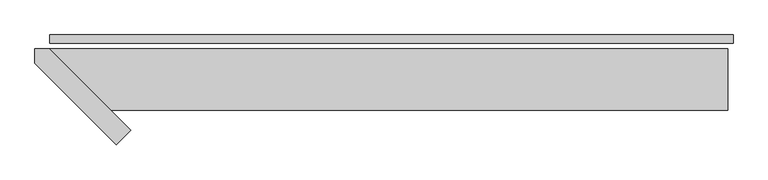
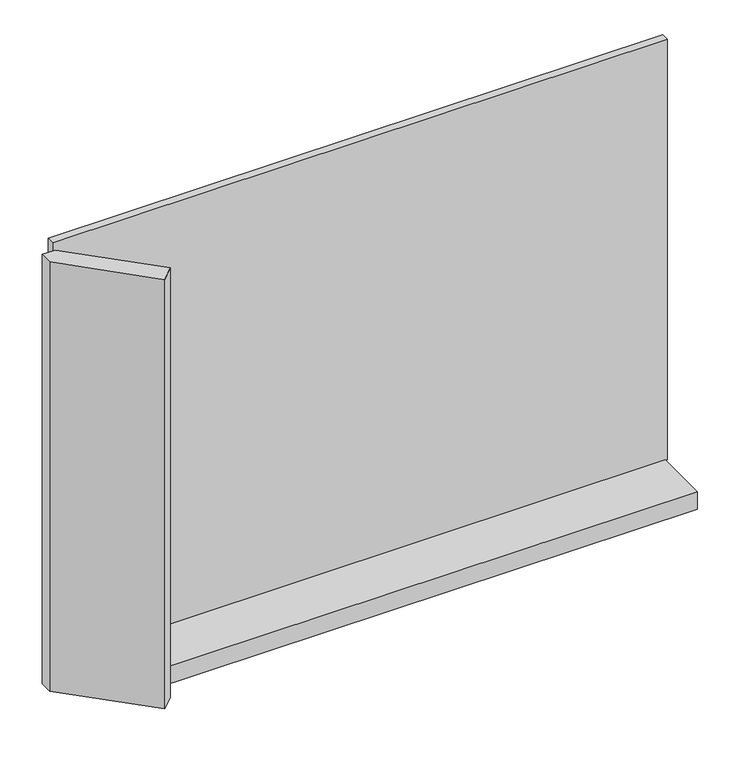
"""IFC4 building model written with IfcOpenShell, lengths in millimetres: plate geometry."""

import ifcopenshell
import ifcopenshell.guid

model = None  # the IFC model being written
_history = None  # IfcOwnerHistory: only IFC2X3 demands one
_inside = {}  # id of a spatial element -> (the spatial element, [elements in it])
_under = {}  # id of a project, library or spatial element -> (it, [spatial elements below it])
_declared = {}  # id of a project -> (the project, [libraries it declares])
_typed = {}  # id of a type object -> (the type object, [elements of that type])
_made_of = {}  # id of a material, layer set ... -> (it, [elements and type objects made of it])


def new_model(schema):
    """Start an empty IFC model of exactly this schema.

    Asked for "IFC4X3", IfcOpenShell would pick the latest addendum, in which some entities
    have other attributes; the version numbers below select the first issue.
    IFC2X3 requires an IfcOwnerHistory on every rooted entity: one is made here for all.
    """
    global model, _history
    if schema == "IFC4X3":
        model = ifcopenshell.file(schema_version=(4, 3, 0, 0))
    else:
        model = ifcopenshell.file(schema=schema)
    _inside.clear()
    _under.clear()
    _declared.clear()
    _typed.clear()
    _made_of.clear()
    _history = None
    if model.schema == "IFC2X3":
        org = make("IfcOrganization", Name="unknown")
        user = make(
            "IfcPersonAndOrganization",
            ThePerson=make("IfcPerson", FamilyName="unknown"),
            TheOrganization=org,
        )
        app = make(
            "IfcApplication",
            ApplicationDeveloper=org,
            Version="unknown",
            ApplicationFullName="unknown",
            ApplicationIdentifier="unknown",
        )
        _history = make(
            "IfcOwnerHistory",
            OwningUser=user,
            OwningApplication=app,
            ChangeAction="ADDED",
            CreationDate=0,
        )
    return model


def make(cls, **values):
    """One entity of the class cls with the attributes given. An attribute that is None is left unset."""
    return model.create_entity(
        cls, **{name: value for name, value in values.items() if value is not None}
    )


def rooted(cls, **values):
    """An entity with a GlobalId (a new one), such as an element, a storey or a relation."""
    return make(cls, GlobalId=ifcopenshell.guid.new(), OwnerHistory=_history, **values)


def si_unit(unit_type, name, prefix=None):
    """IfcSIUnit, for example si_unit("LENGTHUNIT", "METRE", prefix="MILLI")."""
    return make("IfcSIUnit", UnitType=unit_type, Prefix=prefix, Name=name)


def assignment(units):
    """IfcUnitAssignment: the units of a project."""
    return None if units is None else make("IfcUnitAssignment", Units=units)


def point(xyz):
    """IfcCartesianPoint."""
    return None if xyz is None else make("IfcCartesianPoint", Coordinates=xyz)


def direction(xyz):
    """IfcDirection."""
    return None if xyz is None else make("IfcDirection", DirectionRatios=xyz)


def frame(location, z_axis=None, x_axis=None):
    """IfcAxis2Placement3D, a coordinate frame: its origin and axes. An axis left out is left unset."""
    return make(
        "IfcAxis2Placement3D",
        Location=point(location),
        Axis=direction(z_axis),
        RefDirection=direction(x_axis),
    )


def origin():
    """The frame at (0, 0, 0) with its axes left unset."""
    return frame((0.0, 0.0, 0.0))


def origin_with_axes():
    """The frame at (0, 0, 0) with the z axis (0, 0, 1) and the x axis (1, 0, 0) written out."""
    return frame((0.0, 0.0, 0.0), z_axis=(0.0, 0.0, 1.0), x_axis=(1.0, 0.0, 0.0))


def place(relative_to, where):
    """IfcLocalPlacement: puts the frame where relative to a parent placement (None: the world)."""
    return make(
        "IfcLocalPlacement", PlacementRelTo=relative_to, RelativePlacement=where
    )


def context(
    kind, dimensions, precision=None, world=None, true_north=None, identifier=None
):
    """IfcGeometricRepresentationContext, for example the 3D "Model" context."""
    return make(
        "IfcGeometricRepresentationContext",
        ContextIdentifier=identifier,
        ContextType=kind,
        CoordinateSpaceDimension=dimensions,
        Precision=precision,
        WorldCoordinateSystem=world,
        TrueNorth=true_north,
    )


def project(units=None, contexts=None):
    """IfcProject with its units and contexts."""
    return rooted(
        "IfcProject",
        Name="project",
        RepresentationContexts=contexts,
        UnitsInContext=assignment(units),
    )


def spatial(cls, under=None, at=None, **own):
    """A site, building, storey or space (cls), placed at a placement, below another one or the project."""
    s = rooted(cls, ObjectPlacement=at, **own)
    if under is not None:
        _under.setdefault(under.id(), (under, []))[1].append(s)
    return s


def polyline(points):
    """IfcPolyline through the points."""
    return make("IfcPolyline", Points=[point(p) for p in points])


def outline(outer, holes=None, kind="AREA"):
    """IfcArbitraryClosedProfileDef: a profile drawn as a closed curve; with holes, ...WithVoids."""
    if holes is None:
        return make("IfcArbitraryClosedProfileDef", ProfileType=kind, OuterCurve=outer)
    return make(
        "IfcArbitraryProfileDefWithVoids",
        ProfileType=kind,
        OuterCurve=outer,
        InnerCurves=holes,
    )


def extrude(swept, where, along, depth):
    """IfcExtrudedAreaSolid: the profile swept, set in the frame where, extruded along a direction by depth."""
    return make(
        "IfcExtrudedAreaSolid",
        SweptArea=swept,
        Position=where,
        ExtrudedDirection=direction(along),
        Depth=depth,
    )


def shape(context_of_items, identifier, shape_type, items):
    """IfcShapeRepresentation: the items that make up one representation, for example the "Body"."""
    return make(
        "IfcShapeRepresentation",
        ContextOfItems=context_of_items,
        RepresentationIdentifier=identifier,
        RepresentationType=shape_type,
        Items=items,
    )


def source(mapping_origin, context_of_items, identifier, shape_type, items):
    """IfcRepresentationMap: a shape defined once, which mapped items show again and again."""
    return make(
        "IfcRepresentationMap",
        MappingOrigin=mapping_origin,
        MappedRepresentation=shape(context_of_items, identifier, shape_type, items),
    )


def transform(
    local_origin,
    x_axis=None,
    y_axis=None,
    z_axis=None,
    scale=None,
    scale2=None,
    scale3=None,
    uniform=True,
):
    """IfcCartesianTransformationOperator3D, or its non-uniform kind. x_axis, y_axis, z_axis: its Axis1, 2, 3."""
    if uniform:
        return make(
            "IfcCartesianTransformationOperator3D",
            Axis1=direction(x_axis),
            Axis2=direction(y_axis),
            LocalOrigin=point(local_origin),
            Scale=scale,
            Axis3=direction(z_axis),
        )
    return make(
        "IfcCartesianTransformationOperator3DnonUniform",
        Axis1=direction(x_axis),
        Axis2=direction(y_axis),
        LocalOrigin=point(local_origin),
        Scale=scale,
        Axis3=direction(z_axis),
        Scale2=scale2,
        Scale3=scale3,
    )


def mapped(mapping_source, mapping_target):
    """IfcMappedItem: shows the shape of a source again, moved by a transform."""
    return make(
        "IfcMappedItem", MappingSource=mapping_source, MappingTarget=mapping_target
    )


def made_of(thing, what):
    """Note that an element or type object is made of a material, layer set ...; save() writes the relation."""
    if what is not None:
        _made_of.setdefault(what.id(), (what, []))[1].append(thing)
    return thing


def element(
    cls,
    number,
    at=None,
    inside=None,
    cuts=None,
    type_object=None,
    material=None,
    context=None,
    identifier="Body",
    shape_type=None,
    held_by="IfcProductDefinitionShape",
    body=None,
    shapes=None,
    **own,
):
    """One element of the class cls, such as IfcWall. Its Tag is "e" and its number.

    at: its placement. inside: the storey or other place that contains it. cuts: it is an
    opening in that element (IfcRelVoidsElement). A single representation is given by context,
    identifier, shape_type and body (its items); several are given by shapes. held_by: the class
    of the entity that holds the representations. save() writes the other relations.
    """
    e = rooted(cls, Tag="e%d" % number, ObjectPlacement=at, **own)
    if body is not None:
        shapes = [shape(context, identifier, shape_type, body)]
    if shapes is not None:
        e.Representation = make(held_by, Representations=shapes)
    if inside is not None:
        _inside.setdefault(inside.id(), (inside, []))[1].append(e)
    if cuts is not None:
        rooted(
            "IfcRelVoidsElement", RelatingBuildingElement=cuts, RelatedOpeningElement=e
        )
    if type_object is not None:
        _typed.setdefault(type_object.id(), (type_object, []))[1].append(e)
    return made_of(e, material)


def aggregate(whole, parts):
    """IfcRelAggregates: a whole, such as a stair, and the parts it consists of."""
    return rooted("IfcRelAggregates", RelatingObject=whole, RelatedObjects=parts)


def save(model, path):
    """Write the relations noted so far, then the file.

    IfcRelAggregates (storeys below a building ...), IfcRelContainedInSpatialStructure (elements
    in a storey), IfcRelDefinesByType, IfcRelAssociatesMaterial and IfcRelDeclares: one each for
    every whole, place, type object, material and project.
    """
    for whole, parts in _under.values():
        aggregate(whole, parts)
    for where, things in _inside.values():
        rooted(
            "IfcRelContainedInSpatialStructure",
            RelatedElements=things,
            RelatingStructure=where,
        )
    for kind, things in _typed.values():
        rooted("IfcRelDefinesByType", RelatedObjects=things, RelatingType=kind)
    for what, things in _made_of.values():
        rooted("IfcRelAssociatesMaterial", RelatedObjects=things, RelatingMaterial=what)
    for by, libraries in _declared.values():
        rooted("IfcRelDeclares", RelatingContext=by, RelatedDefinitions=libraries)
    model.write(path)


def plate_07f8869f(model_context):
    return source(origin(), model_context, "Body", "SweptSolid", [
        extrude(outline(polyline([(1000.5, 0.0), (1000.5, -25.0), (-1000.5, -25.0), (-1000.5, 0.0), (1000.5, 0.0)])), origin_with_axes(), (0.0, 0.0, 1.0), 1447.534293),
        extrude(outline(polyline([(-763.5, -278.5735931), (-805.9264069, -321.0), (-1043.5, -83.4264069), (-1043.5, -41.0), (-1001.0735931, -41.0), (-763.5, -278.5735931)])), frame((0.0, 0.0, -45.0), z_axis=(0.0, 0.0, 1.0), x_axis=(1.0, 0.0, 0.0)), (0.0, 0.0, 1.0), 1477.534293),
        extrude(outline(polyline([(985.5, -221.0), (-821.0735931, -221.0), (-1001.0735931, -41.0), (985.5, -41.0), (985.5, -221.0)])), frame((0.0, 0.0, -45.0), z_axis=(0.0, 0.0, 1.0), x_axis=(1.0, 0.0, 0.0)), (0.0, 0.0, 1.0), 60.0),
    ])


if __name__ == "__main__":
    model = new_model("IFC4")
    model_context = context("Model", 3, world=origin())
    ifc_project = project(units=[si_unit("LENGTHUNIT", "METRE", prefix="MILLI")], contexts=[model_context])
    site = spatial("IfcSite", under=ifc_project)
    building = spatial("IfcBuilding", under=site)
    placement = place(None, origin())
    plate_shape = plate_07f8869f(model_context)
    element("IfcPlate", 1, at=placement, inside=building, context=model_context, shape_type="MappedRepresentation", body=[
        mapped(plate_shape, transform((0.0, 0.0, 0.0), x_axis=(1.0, 0.0, 0.0), y_axis=(0.0, 1.0, 0.0), z_axis=(0.0, 0.0, 1.0))),
    ])
    save(model, "model.ifc")
